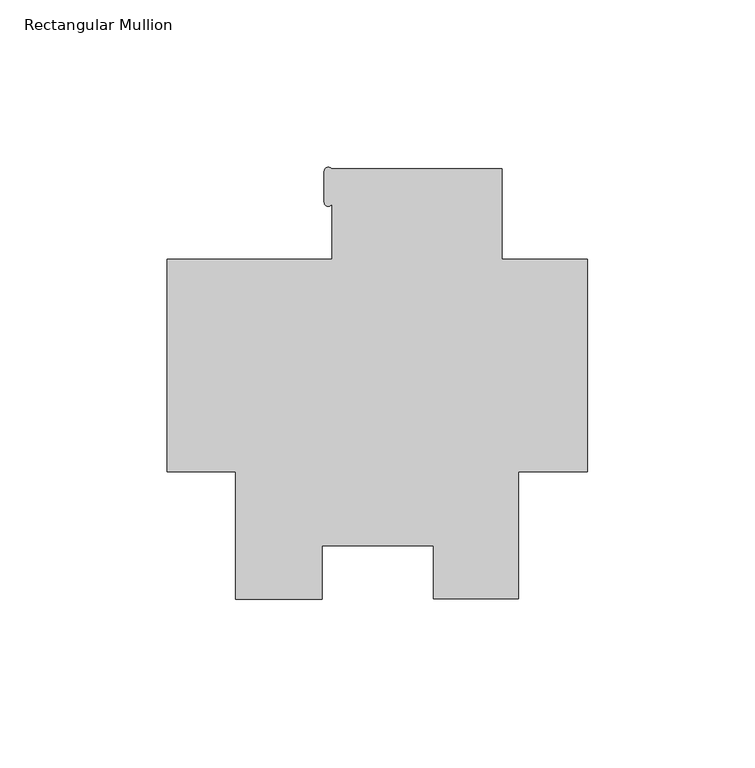
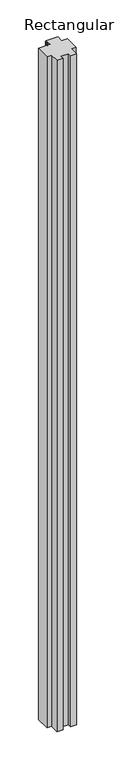
"""IFC4 building model written with IfcOpenShell, lengths in millimetres: member geometry, Rectangular Mullion."""

from ifc_helpers import new_model, si_unit, point, frame, frame_2d, origin, place, context, project, spatial, polyline, circle_curve, trimmed, segment, composite_curve, outline, extrude, source, transform, mapped, element, save


def rectangular_mullion_58a841c9(model_context):
    return source(origin(), model_context, "Body", "SweptSolid", [
        extrude(outline(composite_curve([segment(polyline([(-105.2447888, -69.8732034), (-105.2447888, -31.75), (-125.7808, -31.75), (-125.7808, 31.75), (-76.377927, 31.75), (-76.377927, 48.7042634)]), True, "CONTINUOUS"), segment(trimmed(circle_curve(frame_2d((-77.571473, 48.7288883)), 1.1938), [point((-76.377927, 48.7042634))], [point((-78.765273, 48.7288883))], False, "CARTESIAN"), True, "CONTINUOUS"), segment(polyline([(-78.765273, 48.7288883), (-78.765273, 58.0542437)]), True, "CONTINUOUS"), segment(trimmed(circle_curve(frame_2d((-77.571473, 58.0542437)), 1.1938), [point((-78.765273, 58.0542437))], [point((-76.5837926, 58.7248))], False, "CARTESIAN"), True, "CONTINUOUS"), segment(polyline([(-76.5837926, 58.7248), (-25.577927, 58.7248), (-25.577927, 31.75), (0.0, 31.75), (0.0, -31.75), (-20.6735973, -31.75), (-20.6735973, -69.85), (-46.0042659, -69.85), (-46.0042659, -53.9624751), (-79.4683451, -53.9624751), (-79.4683451, -69.8732034), (-105.2447888, -69.8732034)]), True, "CONTINUOUS")], self_intersect=False)), frame((0.0, 0.0, -3048.0), z_axis=(0.0, 0.0, 1.0), x_axis=(1.0, 0.0, 0.0)), (0.0, 0.0, 1.0), 3048.0),
    ])


if __name__ == "__main__":
    model = new_model("IFC4")
    model_context = context("Model", 3, world=origin())
    ifc_project = project(units=[si_unit("LENGTHUNIT", "METRE", prefix="MILLI")], contexts=[model_context])
    site = spatial("IfcSite", under=ifc_project)
    building = spatial("IfcBuilding", under=site)
    placement = place(None, origin())
    rectangular_mullion_shape = rectangular_mullion_58a841c9(model_context)
    element("IfcMember", 1, ObjectType="Rectangular Mullion", at=placement, inside=building, context=model_context, shape_type="MappedRepresentation", body=[
        mapped(rectangular_mullion_shape, transform((0.0, 0.0, 0.0), x_axis=(1.0, 0.0, 0.0), y_axis=(0.0, 1.0, 0.0), z_axis=(0.0, 0.0, 1.0))),
    ])
    save(model, "model.ifc")
